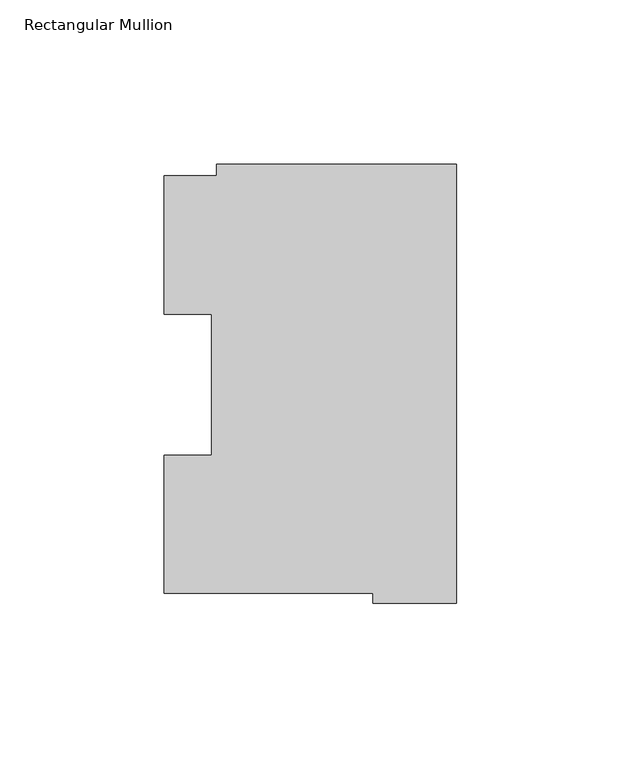
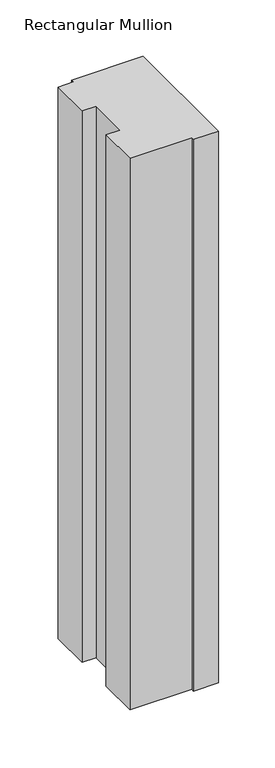
"""IFC4 building model written with IfcOpenShell, lengths in millimetres: member geometry, Rectangular Mullion."""

import ifcopenshell
import ifcopenshell.guid

model = None  # the IFC model being written
_history = None  # IfcOwnerHistory: only IFC2X3 demands one
_inside = {}  # id of a spatial element -> (the spatial element, [elements in it])
_under = {}  # id of a project, library or spatial element -> (it, [spatial elements below it])
_declared = {}  # id of a project -> (the project, [libraries it declares])
_typed = {}  # id of a type object -> (the type object, [elements of that type])
_made_of = {}  # id of a material, layer set ... -> (it, [elements and type objects made of it])


def new_model(schema):
    """Start an empty IFC model of exactly this schema.

    Asked for "IFC4X3", IfcOpenShell would pick the latest addendum, in which some entities
    have other attributes; the version numbers below select the first issue.
    IFC2X3 requires an IfcOwnerHistory on every rooted entity: one is made here for all.
    """
    global model, _history
    if schema == "IFC4X3":
        model = ifcopenshell.file(schema_version=(4, 3, 0, 0))
    else:
        model = ifcopenshell.file(schema=schema)
    _inside.clear()
    _under.clear()
    _declared.clear()
    _typed.clear()
    _made_of.clear()
    _history = None
    if model.schema == "IFC2X3":
        org = make("IfcOrganization", Name="unknown")
        user = make(
            "IfcPersonAndOrganization",
            ThePerson=make("IfcPerson", FamilyName="unknown"),
            TheOrganization=org,
        )
        app = make(
            "IfcApplication",
            ApplicationDeveloper=org,
            Version="unknown",
            ApplicationFullName="unknown",
            ApplicationIdentifier="unknown",
        )
        _history = make(
            "IfcOwnerHistory",
            OwningUser=user,
            OwningApplication=app,
            ChangeAction="ADDED",
            CreationDate=0,
        )
    return model


def make(cls, **values):
    """One entity of the class cls with the attributes given. An attribute that is None is left unset."""
    return model.create_entity(
        cls, **{name: value for name, value in values.items() if value is not None}
    )


def rooted(cls, **values):
    """An entity with a GlobalId (a new one), such as an element, a storey or a relation."""
    return make(cls, GlobalId=ifcopenshell.guid.new(), OwnerHistory=_history, **values)


def si_unit(unit_type, name, prefix=None):
    """IfcSIUnit, for example si_unit("LENGTHUNIT", "METRE", prefix="MILLI")."""
    return make("IfcSIUnit", UnitType=unit_type, Prefix=prefix, Name=name)


def assignment(units):
    """IfcUnitAssignment: the units of a project."""
    return None if units is None else make("IfcUnitAssignment", Units=units)


def point(xyz):
    """IfcCartesianPoint."""
    return None if xyz is None else make("IfcCartesianPoint", Coordinates=xyz)


def direction(xyz):
    """IfcDirection."""
    return None if xyz is None else make("IfcDirection", DirectionRatios=xyz)


def frame(location, z_axis=None, x_axis=None):
    """IfcAxis2Placement3D, a coordinate frame: its origin and axes. An axis left out is left unset."""
    return make(
        "IfcAxis2Placement3D",
        Location=point(location),
        Axis=direction(z_axis),
        RefDirection=direction(x_axis),
    )


def origin():
    """The frame at (0, 0, 0) with its axes left unset."""
    return frame((0.0, 0.0, 0.0))


def place(relative_to, where):
    """IfcLocalPlacement: puts the frame where relative to a parent placement (None: the world)."""
    return make(
        "IfcLocalPlacement", PlacementRelTo=relative_to, RelativePlacement=where
    )


def context(
    kind, dimensions, precision=None, world=None, true_north=None, identifier=None
):
    """IfcGeometricRepresentationContext, for example the 3D "Model" context."""
    return make(
        "IfcGeometricRepresentationContext",
        ContextIdentifier=identifier,
        ContextType=kind,
        CoordinateSpaceDimension=dimensions,
        Precision=precision,
        WorldCoordinateSystem=world,
        TrueNorth=true_north,
    )


def project(units=None, contexts=None):
    """IfcProject with its units and contexts."""
    return rooted(
        "IfcProject",
        Name="project",
        RepresentationContexts=contexts,
        UnitsInContext=assignment(units),
    )


def spatial(cls, under=None, at=None, **own):
    """A site, building, storey or space (cls), placed at a placement, below another one or the project."""
    s = rooted(cls, ObjectPlacement=at, **own)
    if under is not None:
        _under.setdefault(under.id(), (under, []))[1].append(s)
    return s


def polyline(points):
    """IfcPolyline through the points."""
    return make("IfcPolyline", Points=[point(p) for p in points])


def outline(outer, holes=None, kind="AREA"):
    """IfcArbitraryClosedProfileDef: a profile drawn as a closed curve; with holes, ...WithVoids."""
    if holes is None:
        return make("IfcArbitraryClosedProfileDef", ProfileType=kind, OuterCurve=outer)
    return make(
        "IfcArbitraryProfileDefWithVoids",
        ProfileType=kind,
        OuterCurve=outer,
        InnerCurves=holes,
    )


def extrude(swept, where, along, depth):
    """IfcExtrudedAreaSolid: the profile swept, set in the frame where, extruded along a direction by depth."""
    return make(
        "IfcExtrudedAreaSolid",
        SweptArea=swept,
        Position=where,
        ExtrudedDirection=direction(along),
        Depth=depth,
    )


def shape(context_of_items, identifier, shape_type, items):
    """IfcShapeRepresentation: the items that make up one representation, for example the "Body"."""
    return make(
        "IfcShapeRepresentation",
        ContextOfItems=context_of_items,
        RepresentationIdentifier=identifier,
        RepresentationType=shape_type,
        Items=items,
    )


def source(mapping_origin, context_of_items, identifier, shape_type, items):
    """IfcRepresentationMap: a shape defined once, which mapped items show again and again."""
    return make(
        "IfcRepresentationMap",
        MappingOrigin=mapping_origin,
        MappedRepresentation=shape(context_of_items, identifier, shape_type, items),
    )


def transform(
    local_origin,
    x_axis=None,
    y_axis=None,
    z_axis=None,
    scale=None,
    scale2=None,
    scale3=None,
    uniform=True,
):
    """IfcCartesianTransformationOperator3D, or its non-uniform kind. x_axis, y_axis, z_axis: its Axis1, 2, 3."""
    if uniform:
        return make(
            "IfcCartesianTransformationOperator3D",
            Axis1=direction(x_axis),
            Axis2=direction(y_axis),
            LocalOrigin=point(local_origin),
            Scale=scale,
            Axis3=direction(z_axis),
        )
    return make(
        "IfcCartesianTransformationOperator3DnonUniform",
        Axis1=direction(x_axis),
        Axis2=direction(y_axis),
        LocalOrigin=point(local_origin),
        Scale=scale,
        Axis3=direction(z_axis),
        Scale2=scale2,
        Scale3=scale3,
    )


def mapped(mapping_source, mapping_target):
    """IfcMappedItem: shows the shape of a source again, moved by a transform."""
    return make(
        "IfcMappedItem", MappingSource=mapping_source, MappingTarget=mapping_target
    )


def made_of(thing, what):
    """Note that an element or type object is made of a material, layer set ...; save() writes the relation."""
    if what is not None:
        _made_of.setdefault(what.id(), (what, []))[1].append(thing)
    return thing


def element(
    cls,
    number,
    at=None,
    inside=None,
    cuts=None,
    type_object=None,
    material=None,
    context=None,
    identifier="Body",
    shape_type=None,
    held_by="IfcProductDefinitionShape",
    body=None,
    shapes=None,
    **own,
):
    """One element of the class cls, such as IfcWall. Its Tag is "e" and its number.

    at: its placement. inside: the storey or other place that contains it. cuts: it is an
    opening in that element (IfcRelVoidsElement). A single representation is given by context,
    identifier, shape_type and body (its items); several are given by shapes. held_by: the class
    of the entity that holds the representations. save() writes the other relations.
    """
    e = rooted(cls, Tag="e%d" % number, ObjectPlacement=at, **own)
    if body is not None:
        shapes = [shape(context, identifier, shape_type, body)]
    if shapes is not None:
        e.Representation = make(held_by, Representations=shapes)
    if inside is not None:
        _inside.setdefault(inside.id(), (inside, []))[1].append(e)
    if cuts is not None:
        rooted(
            "IfcRelVoidsElement", RelatingBuildingElement=cuts, RelatedOpeningElement=e
        )
    if type_object is not None:
        _typed.setdefault(type_object.id(), (type_object, []))[1].append(e)
    return made_of(e, material)


def aggregate(whole, parts):
    """IfcRelAggregates: a whole, such as a stair, and the parts it consists of."""
    return rooted("IfcRelAggregates", RelatingObject=whole, RelatedObjects=parts)


def save(model, path):
    """Write the relations noted so far, then the file.

    IfcRelAggregates (storeys below a building ...), IfcRelContainedInSpatialStructure (elements
    in a storey), IfcRelDefinesByType, IfcRelAssociatesMaterial and IfcRelDeclares: one each for
    every whole, place, type object, material and project.
    """
    for whole, parts in _under.values():
        aggregate(whole, parts)
    for where, things in _inside.values():
        rooted(
            "IfcRelContainedInSpatialStructure",
            RelatedElements=things,
            RelatingStructure=where,
        )
    for kind, things in _typed.values():
        rooted("IfcRelDefinesByType", RelatedObjects=things, RelatingType=kind)
    for what, things in _made_of.values():
        rooted("IfcRelAssociatesMaterial", RelatedObjects=things, RelatingMaterial=what)
    for by, libraries in _declared.values():
        rooted("IfcRelDeclares", RelatingContext=by, RelatedDefinitions=libraries)
    model.write(path)


def rectangular_mullion_086d906c(model_context):
    return source(origin(), model_context, "Body", "SweptSolid", [
        extrude(outline(polyline([(-73.025, 130.1270275), (0.0, 130.1270275), (0.0, -3.2371943), (-25.3823253, -3.2371943), (-25.3823253, -0.2913097), (-88.8823253, -0.2913097), (-88.8823253, 41.7837928), (-74.4735473, 41.7837928), (-74.4735473, 84.6335937), (-88.8823253, 84.6335937), (-88.8823253, 126.7086938), (-73.025, 126.7086938), (-73.025, 130.1270275)])), frame((0.0, 0.0, -596.6086938), z_axis=(0.0, 0.0, 1.0), x_axis=(1.0, 0.0, 0.0)), (0.0, 0.0, 1.0), 596.6086938),
    ])


if __name__ == "__main__":
    model = new_model("IFC4")
    model_context = context("Model", 3, world=origin())
    ifc_project = project(units=[si_unit("LENGTHUNIT", "METRE", prefix="MILLI")], contexts=[model_context])
    site = spatial("IfcSite", under=ifc_project)
    building = spatial("IfcBuilding", under=site)
    placement = place(None, origin())
    rectangular_mullion_shape = rectangular_mullion_086d906c(model_context)
    element("IfcMember", 1, ObjectType="Rectangular Mullion", at=placement, inside=building, context=model_context, shape_type="MappedRepresentation", body=[
        mapped(rectangular_mullion_shape, transform((0.0, 0.0, 0.0), x_axis=(1.0, 0.0, 0.0), y_axis=(0.0, 1.0, 0.0), z_axis=(0.0, 0.0, 1.0))),
    ])
    save(model, "model.ifc")
